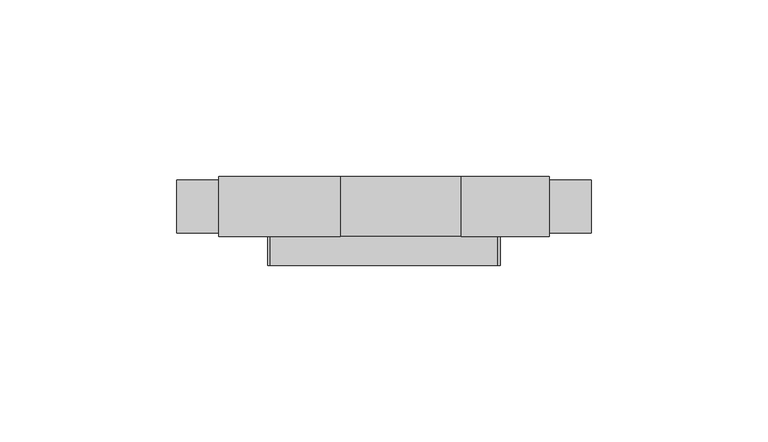
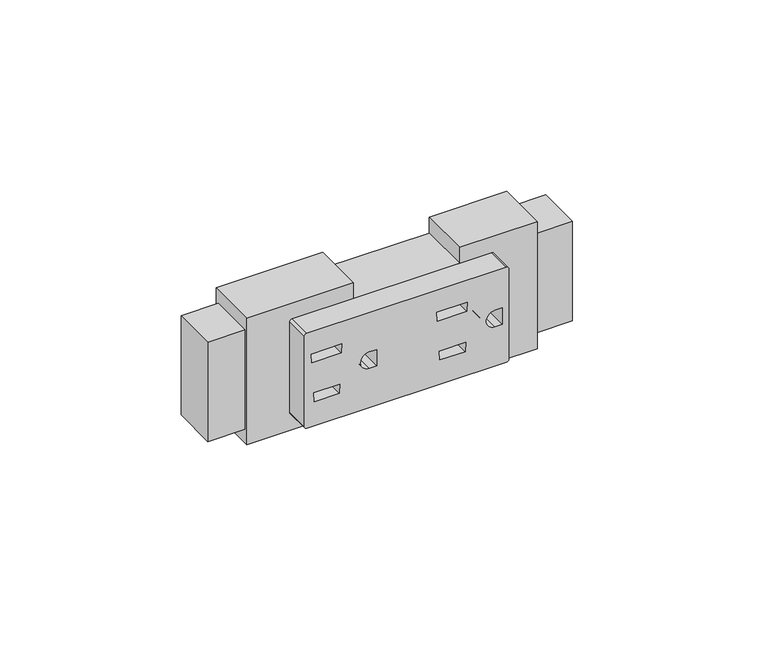
"""IFC4 building model written with IfcOpenShell, lengths in millimetres: furniture geometry."""

from ifc_helpers import new_model, si_unit, frame, origin, place, context, project, spatial, polyline, circle_curve, faceted_brep, source, transform, mapped, element, save
from ifc_brep_helpers import plane_surface, cylinder_surface, revolved_surface, advanced_brep


def furniture_70411744(model_context):
    return source(origin(), model_context, "Body", "SolidModel", [
        advanced_brep(
        [(32.1437184, -8.1280002, 558.3986881), (32.9056995, -8.1280002, 559.1606692), (32.9056995, -8.1280002, 589.9021573), (32.1454361, -8.1280002, 590.6624207), (-32.1437184, -8.1280002, 590.7074719), (-32.9056995, -8.1280002, 589.9454908), (-32.9056995, -8.1280002, 559.1606692), (-32.1437184, -8.1280002, 558.3986881), (-29.9246309, -8.1280002, 569.658793), (-21.4953586, -8.1280002, 569.7348785), (-21.6251063, -8.1280002, 566.6708576), (-29.7494423, -8.1280002, 566.6708576), (-30.5412497, -8.1280002, 580.1755566), (-30.7179061, -8.1280002, 583.1885267), (-20.9256599, -8.1280002, 583.1885267), (-21.0532457, -8.1280002, 580.1755566), (10.5815994, -8.1280002, 569.658793), (19.0108706, -8.1280002, 569.7348785), (18.881124, -8.1280002, 566.6708576), (10.756788, -8.1280002, 566.6708576), (9.9649807, -8.1280002, 580.1755566), (9.7883242, -8.1280002, 583.1885267), (19.5805704, -8.1280002, 583.1885267), (19.4529846, -8.1280002, 580.1755566), (-9.6269128, -8.1280002, 577.3239501), (-9.6269128, -8.1280002, 571.7821736), (-12.0211719, -8.1280002, 571.7821736), (-12.0211719, -8.1280002, 577.3239501), (30.8793175, -8.1280002, 577.3239501), (30.8793175, -8.1280002, 571.7821736), (28.4850573, -8.1280002, 571.7821736), (28.4850573, -8.1280002, 577.3239501), (32.1437184, 0.0, 558.3986881), (-32.1437184, 0.0, 558.3986881), (-32.9056995, 0.0, 559.1606692), (-32.9056995, 0.0, 589.9454908), (-32.1437184, 0.0, 590.7074719), (32.1454361, 0.0, 590.7074719), (32.9056995, 0.0, 589.9021573), (32.9056995, 0.0, 559.1606692), (-29.9246309, 0.0, 569.658793), (-29.7494423, 0.0, 566.6708576), (-21.6251063, 0.0, 566.6708576), (-21.4953586, 0.0, 569.7348785), (-30.5412497, 0.0, 580.1755566), (-21.0532457, 0.0, 580.1755566), (-20.9256599, 0.0, 583.1885267), (-30.7179061, 0.0, 583.1885267), (10.5815994, 0.0, 569.658793), (10.756788, 0.0, 566.6708576), (18.881124, 0.0, 566.6708576), (19.0108706, 0.0, 569.7348785), (9.9649807, 0.0, 580.1755566), (19.4529846, 0.0, 580.1755566), (19.5805704, 0.0, 583.1885267), (9.7883242, 0.0, 583.1885267), (-9.6269128, 0.0, 577.3239501), (-12.0211719, 0.0, 577.3239501), (-12.0211719, 0.0, 571.7821736), (-9.6269128, 0.0, 571.7821736), (30.8793175, 0.0, 577.3239501), (28.4850573, 0.0, 577.3239501), (28.4850573, 0.0, 571.7821736), (30.8793175, 0.0, 571.7821736)],
        [
            (0, 1, circle_curve(frame((32.1437184, -8.1280002, 559.1606692), z_axis=(0.0, -1.0, 0.0), x_axis=(-1.0, 0.0, 0.0)), 0.7619811)),
            (1, 2),
            (2, 3, circle_curve(frame((32.1454361, -8.1280002, 589.9021573), z_axis=(0.0, -1.0, 0.0), x_axis=(-1.0, 0.0, 0.0)), 0.7602634)),
            (3, 4),
            (4, 5, circle_curve(frame((-32.1437184, -8.1280002, 589.9454908), z_axis=(0.0, -1.0, 0.0), x_axis=(-1.0, 0.0, 0.0)), 0.7619811)),
            (5, 6),
            (6, 7, circle_curve(frame((-32.1437184, -8.1280002, 559.1606692), z_axis=(0.0, -1.0, 0.0), x_axis=(-1.0, 0.0, 0.0)), 0.7619811)),
            (7, 0),
            (8, 9),
            (9, 10),
            (10, 11),
            (11, 8),
            (12, 13),
            (13, 14),
            (14, 15),
            (15, 12),
            (16, 17),
            (17, 18),
            (18, 19),
            (19, 16),
            (20, 21),
            (21, 22),
            (22, 23),
            (23, 20),
            (24, 25),
            (25, 26),
            (26, 27, circle_curve(frame((-12.0211719, -8.1280002, 574.5530618), z_axis=(0.0, 1.0, 0.0), x_axis=(-1.0, 0.0, 0.0)), 2.7708883)),
            (27, 24),
            (28, 29),
            (29, 30),
            (30, 31, circle_curve(frame((28.4850573, -8.1280002, 574.5530618), z_axis=(0.0, 1.0, 0.0), x_axis=(-1.0, 0.0, 0.0)), 2.7708883)),
            (31, 28),
            (32, 33),
            (33, 34, circle_curve(frame((-32.1437184, 0.0, 559.1606692), z_axis=(0.0, 1.0, 0.0), x_axis=(-1.0, 0.0, 0.0)), 0.7619811)),
            (34, 35),
            (35, 36, circle_curve(frame((-32.1437184, 0.0, 589.9454908), z_axis=(0.0, 1.0, 0.0), x_axis=(-1.0, 0.0, 0.0)), 0.7619811)),
            (36, 37),
            (37, 38, circle_curve(frame((32.1454361, 0.0, 589.9021573), z_axis=(0.0, 1.0, 0.0), x_axis=(-1.0, 0.0, 0.0)), 0.7602634)),
            (38, 39),
            (39, 32, circle_curve(frame((32.1437184, 0.0, 559.1606692), z_axis=(0.0, 1.0, 0.0), x_axis=(-1.0, 0.0, 0.0)), 0.7619811)),
            (40, 41),
            (41, 42),
            (42, 43),
            (43, 40),
            (44, 45),
            (45, 46),
            (46, 47),
            (47, 44),
            (48, 49),
            (49, 50),
            (50, 51),
            (51, 48),
            (52, 53),
            (53, 54),
            (54, 55),
            (55, 52),
            (56, 57),
            (57, 58, circle_curve(frame((-12.0211719, 0.0, 574.5530618), z_axis=(0.0, -1.0, 0.0), x_axis=(-1.0, 0.0, 0.0)), 2.7708883)),
            (58, 59),
            (59, 56),
            (60, 61),
            (61, 62, circle_curve(frame((28.4850573, 0.0, 574.5530618), z_axis=(0.0, -1.0, 0.0), x_axis=(-1.0, 0.0, 0.0)), 2.7708883)),
            (62, 63),
            (63, 60),
            (0, 32),
            (39, 1),
            (38, 2),
            (37, 3),
            (36, 4),
            (35, 5),
            (34, 6),
            (33, 7),
            (8, 40),
            (43, 9),
            (42, 10),
            (41, 11),
            (12, 44),
            (47, 13),
            (46, 14),
            (45, 15),
            (16, 48),
            (51, 17),
            (50, 18),
            (49, 19),
            (20, 52),
            (55, 21),
            (54, 22),
            (53, 23),
            (24, 56),
            (59, 25),
            (58, 26),
            (57, 27),
            (28, 60),
            (63, 29),
            (62, 30),
            (61, 31),
        ],
        [
            plane_surface(frame((0.0, -8.1280002, 574.55308), z_axis=(0.0, -1.0, 0.0), x_axis=(0.0, 0.0, 1.0))),
            plane_surface(frame((0.0, 0.0, 574.55308), z_axis=(0.0, 1.0, 0.0), x_axis=(0.0, 0.0, 1.0))),
            cylinder_surface(frame((32.1437184, -8.1280002, 559.1606692), z_axis=(0.0, -1.0, 0.0), x_axis=(-1.0, 0.0, 0.0)), 0.7619811),
            plane_surface(frame((32.9056995, -8.1280002, 559.1606692), z_axis=(1.0, 0.0, 0.0), x_axis=(0.0, 1.0, 0.0))),
            cylinder_surface(frame((32.1454361, -8.1280002, 589.9021573), z_axis=(0.0, -1.0, 0.0), x_axis=(-1.0, 0.0, 0.0)), 0.7602634),
            plane_surface(frame((32.1454361, -8.1280002, 590.7074719), z_axis=(0.0, 0.0, 1.0), x_axis=(0.0, 1.0, 0.0))),
            cylinder_surface(frame((-32.1437184, -8.1280002, 589.9454908), z_axis=(0.0, -1.0, 0.0), x_axis=(-1.0, 0.0, 0.0)), 0.7619811),
            plane_surface(frame((-32.9056995, -8.1280002, 589.9454908), z_axis=(-1.0, 0.0, 0.0), x_axis=(0.0, 1.0, 0.0))),
            cylinder_surface(frame((-32.1437184, -8.1280002, 559.1606692), z_axis=(0.0, -1.0, 0.0), x_axis=(-1.0, 0.0, 0.0)), 0.7619811),
            plane_surface(frame((-32.1437184, -8.1280002, 558.3986881), z_axis=(0.0, 0.0, -1.0), x_axis=(0.0, 1.0, 0.0))),
            plane_surface(frame((-29.9246309, -8.1280002, 569.658793), z_axis=(0.00902597341965065, 0.0, -0.9999592650722468), x_axis=(0.0, 1.0, 0.0))),
            plane_surface(frame((-21.4953586, -8.1280002, 569.7348785), z_axis=(-0.9991046302588076, 0.0, 0.04230765646323739), x_axis=(0.0, 1.0, 0.0))),
            plane_surface(frame((-21.6251063, -8.1280002, 566.6708576), z_axis=(0.0, 0.0, 1.0), x_axis=(0.0, 1.0, 0.0))),
            plane_surface(frame((-29.7494423, -8.1280002, 566.6708576), z_axis=(0.9982855640216859, 0.0, 0.058531467313785085), x_axis=(0.0, 1.0, 0.0))),
            plane_surface(frame((-30.5412497, -8.1280002, 580.1755566), z_axis=(0.9982855640216859, 0.0, 0.05853146731378498), x_axis=(0.0, 1.0, 0.0))),
            plane_surface(frame((-30.7179061, -8.1280002, 583.1885267), z_axis=(0.0, 0.0, -1.0), x_axis=(0.0, 1.0, 0.0))),
            plane_surface(frame((-20.9256599, -8.1280002, 583.1885267), z_axis=(-0.999104632536471, 0.0, 0.042307602675681566), x_axis=(0.0, 1.0, 0.0))),
            plane_surface(frame((-21.0532457, -8.1280002, 580.1755566), z_axis=(0.0, 0.0, 1.0), x_axis=(0.0, 1.0, 0.0))),
            plane_surface(frame((10.5815994, -8.1280002, 569.658793), z_axis=(0.009025973419648815, 0.0, -0.9999592650722468), x_axis=(0.0, 1.0, 0.0))),
            plane_surface(frame((19.0108706, -8.1280002, 569.7348785), z_axis=(-0.9991046459090978, 0.0, 0.042307286876569365), x_axis=(0.0, 1.0, 0.0))),
            plane_surface(frame((18.881124, -8.1280002, 566.6708576), z_axis=(0.0, 0.0, 1.0), x_axis=(0.0, 1.0, 0.0))),
            plane_surface(frame((10.756788, -8.1280002, 566.6708576), z_axis=(0.9982855640216858, 0.0, 0.05853146731378538), x_axis=(0.0, 1.0, 0.0))),
            plane_surface(frame((9.9649807, -8.1280002, 580.1755566), z_axis=(0.9982855640216858, 0.0, 0.05853146731378638), x_axis=(0.0, 1.0, 0.0))),
            plane_surface(frame((9.7883242, -8.1280002, 583.1885267), z_axis=(0.0, 0.0, -1.0), x_axis=(0.0, 1.0, 0.0))),
            plane_surface(frame((19.5805704, -8.1280002, 583.1885267), z_axis=(-0.999104632536471, 0.0, 0.042307602675681566), x_axis=(0.0, 1.0, 0.0))),
            plane_surface(frame((19.4529846, -8.1280002, 580.1755566), z_axis=(0.0, 0.0, 1.0), x_axis=(0.0, 1.0, 0.0))),
            plane_surface(frame((-9.6269128, -8.1280002, 577.3239501), z_axis=(-1.0, 0.0, 0.0), x_axis=(0.0, 1.0, 0.0))),
            plane_surface(frame((-9.6269128, -8.1280002, 571.7821736), z_axis=(0.0, 0.0, 1.0), x_axis=(0.0, 1.0, 0.0))),
            revolved_surface(polyline([(-14.792060200000002, 0.0, 574.5530618), (-14.792060200000002, -8.1280002, 574.5530618)]), (-12.0211719, -8.1280002, 574.5530618), (0.0, 1.0, 0.0)),
            plane_surface(frame((-12.0211719, -8.1280002, 577.3239501), z_axis=(0.0, 0.0, -1.0), x_axis=(0.0, 1.0, 0.0))),
            plane_surface(frame((30.8793175, -8.1280002, 577.3239501), z_axis=(-1.0, 0.0, 0.0), x_axis=(0.0, 1.0, 0.0))),
            plane_surface(frame((30.8793175, -8.1280002, 571.7821736), z_axis=(0.0, 0.0, 1.0), x_axis=(0.0, 1.0, 0.0))),
            revolved_surface(polyline([(25.714169000000002, 0.0, 574.5530618), (25.714169000000002, -8.1280002, 574.5530618)]), (28.4850573, -8.1280002, 574.5530618), (0.0, 1.0, 0.0)),
            plane_surface(frame((28.4850573, -8.1280002, 577.3239501), z_axis=(0.0, 0.0, -1.0), x_axis=(0.0, 1.0, 0.0))),
        ],
        [
            (0, [[1, 2, 3, 4, 5, 6, 7, 8], [9, 10, 11, 12], [13, 14, 15, 16], [17, 18, 19, 20], [21, 22, 23, 24], [25, 26, 27, 28], [29, 30, 31, 32]]),
            (1, [[33, 34, 35, 36, 37, 38, 39, 40], [41, 42, 43, 44], [45, 46, 47, 48], [49, 50, 51, 52], [53, 54, 55, 56], [57, 58, 59, 60], [61, 62, 63, 64]]),
            (2, [[-1, 65, -40, 66]]),
            (3, [[-2, -66, -39, 67]]),
            (4, [[-3, -67, -38, 68]]),
            (5, [[-4, -68, -37, 69]]),
            (6, [[-5, -69, -36, 70]]),
            (7, [[-6, -70, -35, 71]]),
            (8, [[-7, -71, -34, 72]]),
            (9, [[-8, -72, -33, -65]]),
            (10, [[-9, 73, -44, 74]]),
            (11, [[-10, -74, -43, 75]]),
            (12, [[-11, -75, -42, 76]]),
            (13, [[-12, -76, -41, -73]]),
            (14, [[-13, 77, -48, 78]]),
            (15, [[-14, -78, -47, 79]]),
            (16, [[-15, -79, -46, 80]]),
            (17, [[-16, -80, -45, -77]]),
            (18, [[-17, 81, -52, 82]]),
            (19, [[-18, -82, -51, 83]]),
            (20, [[-19, -83, -50, 84]]),
            (21, [[-20, -84, -49, -81]]),
            (22, [[-21, 85, -56, 86]]),
            (23, [[-22, -86, -55, 87]]),
            (24, [[-23, -87, -54, 88]]),
            (25, [[-24, -88, -53, -85]]),
            (26, [[-25, 89, -60, 90]]),
            (27, [[-26, -90, -59, 91]]),
            (28, [[-27, -91, -58, 92]]),
            (29, [[-28, -92, -57, -89]]),
            (30, [[-29, 93, -64, 94]]),
            (31, [[-30, -94, -63, 95]]),
            (32, [[-31, -95, -62, 96]]),
            (33, [[-32, -96, -61, -93]]),
        ],
    ),
        faceted_brep([(-46.7995008, 17.0179997, 552.9630824), (-46.7995008, 17.0179997, 596.1430776), (-12.4333004, 17.0179997, 596.1430776), (-12.4333004, 17.0179997, 590.7074719), (21.9074995, 17.0179997, 590.7074719), (21.9074995, 17.0179997, 596.1430776), (46.7995008, 17.0179997, 596.1430776), (46.7995008, 17.0179997, 552.9630824), (21.9074995, 17.0179997, 552.9630824), (21.9074995, 17.0179997, 558.3986881), (-12.4333004, 17.0179997, 558.3986881), (-12.4333004, 17.0179997, 552.9630824), (-46.7995008, 0.0, 596.1430776), (-46.7995008, 0.0, 552.9630824), (-12.4333004, 0.0, 552.9630824), (-12.4333004, 0.0, 558.3986881), (21.9074995, 0.0, 558.3986881), (21.9074995, 0.0, 552.9630824), (46.7995008, 0.0, 552.9630824), (46.7995008, 0.0, 596.1430776), (21.9074995, 0.0, 596.1430776), (21.9074995, 0.0, 590.7074719), (-12.4333004, 0.0, 590.7074719), (-12.4333004, 0.0, 596.1430776), (-58.6867022, 15.9511998, 557.6239898), (-58.6867022, 0.9906, 557.6239898), (-58.6867022, 0.9906, 591.4821702), (-58.6867022, 15.9511998, 591.4821702), (-46.7995008, 0.9906, 591.4821702), (-46.7995008, 15.9511998, 591.4821702), (-46.7995008, 0.9906, 557.6239898), (-46.7995008, 15.9511998, 557.6239898), (46.7995008, 15.9511998, 591.4821702), (46.7995008, 15.9511998, 557.6239898), (46.7995008, 0.9906, 557.6239898), (46.7995008, 0.9906, 591.4821702), (58.6867022, 0.9906, 591.4821702), (58.6867022, 15.9511998, 591.4821702), (58.6867022, 0.9906, 557.6239898), (58.6867022, 15.9511998, 557.6239898)], [[[0, 1, 2, 3, 4, 5, 6, 7, 8, 9, 10, 11]], [[12, 13, 14, 15, 16, 17, 18, 19, 20, 21, 22, 23]], [[24, 25, 26, 27]], [[27, 26, 28, 29]], [[0, 13, 12, 1], [28, 30, 31, 29]], [[2, 1, 12, 23]], [[3, 2, 23, 22]], [[4, 3, 22, 21]], [[5, 4, 21, 20]], [[6, 5, 20, 19]], [[6, 19, 18, 7], [32, 33, 34, 35]], [[32, 35, 36, 37]], [[37, 36, 38, 39]], [[39, 38, 34, 33]], [[8, 7, 18, 17]], [[9, 8, 17, 16]], [[10, 9, 16, 15]], [[11, 10, 15, 14]], [[0, 11, 14, 13]], [[25, 24, 31, 30]], [[29, 31, 24, 27]], [[30, 28, 26, 25]], [[35, 34, 38, 36]], [[33, 32, 37, 39]]]),
    ])


if __name__ == "__main__":
    model = new_model("IFC4")
    model_context = context("Model", 3, world=origin())
    ifc_project = project(units=[si_unit("LENGTHUNIT", "METRE", prefix="MILLI")], contexts=[model_context])
    site = spatial("IfcSite", under=ifc_project)
    building = spatial("IfcBuilding", under=site)
    placement = place(None, origin())
    furniture_shape = furniture_70411744(model_context)
    element("IfcFurniture", 1, at=placement, inside=building, context=model_context, shape_type="MappedRepresentation", body=[
        mapped(furniture_shape, transform((0.0, 0.0, 0.0), x_axis=(1.0, 0.0, 0.0), y_axis=(0.0, 1.0, 0.0), z_axis=(0.0, 0.0, 1.0))),
    ])
    save(model, "model.ifc")
